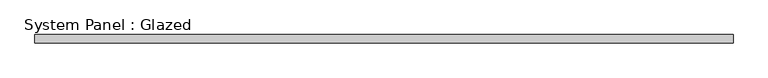
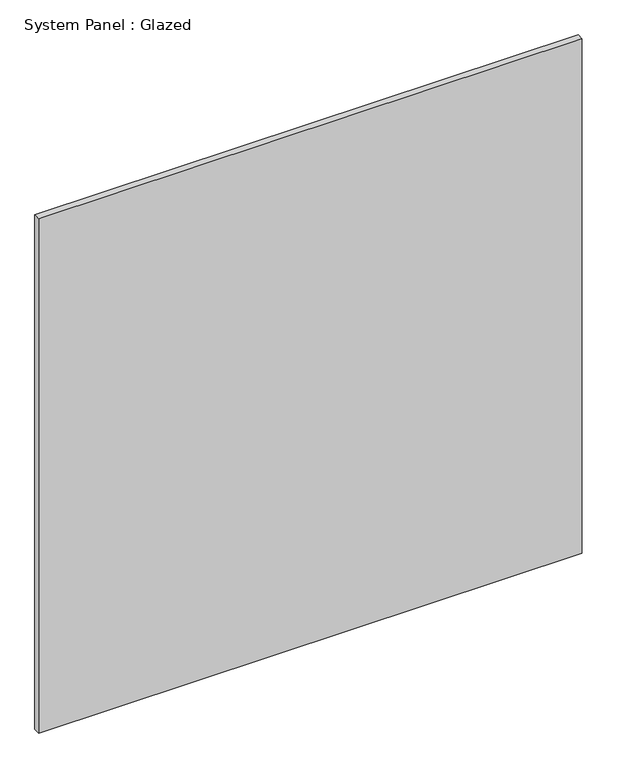
"""IFC4 building model written with IfcOpenShell, lengths in millimetres: plate geometry, System Panel : Glazed."""

from ifc_helpers import new_model, si_unit, origin, origin_with_axes, place, context, project, spatial, polyline, outline, extrude, source, transform, mapped, element, save


def system_panel_glazed_7d4f4c59(model_context):
    return source(origin(), model_context, "Body", "SweptSolid", [
        extrude(outline(polyline([(1050.0, 24.5), (-1050.0, 24.5), (-1050.0, 49.5), (1050.0, 49.5), (1050.0, 24.5)])), origin_with_axes(), (0.0, 0.0, 1.0), 2100.0),
    ])


if __name__ == "__main__":
    model = new_model("IFC4")
    model_context = context("Model", 3, world=origin())
    ifc_project = project(units=[si_unit("LENGTHUNIT", "METRE", prefix="MILLI")], contexts=[model_context])
    site = spatial("IfcSite", under=ifc_project)
    building = spatial("IfcBuilding", under=site)
    placement = place(None, origin())
    system_panel_glazed_shape = system_panel_glazed_7d4f4c59(model_context)
    element("IfcPlate", 1, ObjectType="System Panel : Glazed", at=placement, inside=building, context=model_context, shape_type="MappedRepresentation", body=[
        mapped(system_panel_glazed_shape, transform((0.0, 0.0, 0.0), x_axis=(1.0, 0.0, 0.0), y_axis=(0.0, 1.0, 0.0), z_axis=(0.0, 0.0, 1.0))),
    ])
    save(model, "model.ifc")
